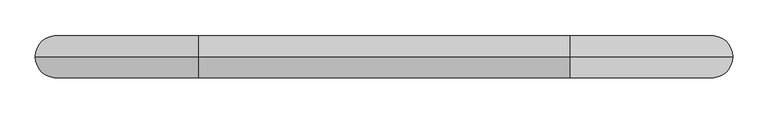
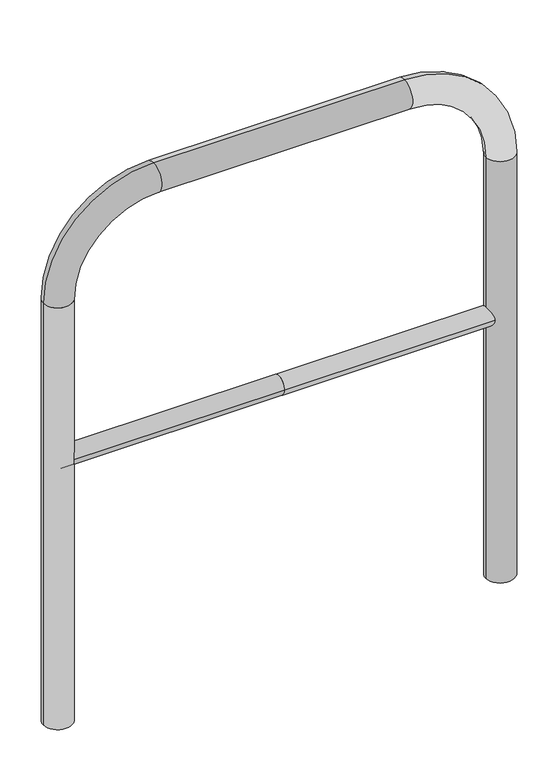
"""IFC4 building model written with IfcOpenShell, lengths in millimetres: proxy geometry."""

from ifc_helpers import new_model, si_unit, point, frame, frame_2d, origin, place, context, project, spatial, circle_curve, ellipse_curve, trimmed, segment, composite_curve, outline, extrude, source, transform, mapped, element, save
from ifc_brep_helpers import plane_surface, cylinder_surface, revolved_surface, advanced_brep


def generic_models_9fdfce8b(model_context):
    return source(origin(), model_context, "Body", "SolidModel", [
        extrude(outline(composite_curve([segment(trimmed(circle_curve(frame_2d((0.0, 498.4778375)), 20.0), [point((20.0, 498.4778375))], [point((-20.0, 498.4778375))], False, "CARTESIAN"), True, "CONTINUOUS"), segment(trimmed(circle_curve(frame_2d((0.0, 498.4778375)), 20.0), [point((-20.0, 498.4778375))], [point((20.0, 498.4778375))], False, "CARTESIAN"), True, "CONTINUOUS")], self_intersect=False)), frame((-461.8496422, 0.0, 0.0), z_axis=(1.0, 0.0, 0.0), x_axis=(0.0, 1.0, 0.0)), (0.0, 0.0, 1.0), 461.8496422),
        extrude(outline(composite_curve([segment(trimmed(circle_curve(frame_2d((0.0, 498.4778375)), 20.0), [point((20.0, 498.4778375))], [point((-20.0, 498.4778375))], False, "CARTESIAN"), True, "CONTINUOUS"), segment(trimmed(circle_curve(frame_2d((0.0, 498.4778375)), 20.0), [point((-20.0, 498.4778375))], [point((20.0, 498.4778375))], False, "CARTESIAN"), True, "CONTINUOUS")], self_intersect=False)), frame((0.0, 0.0, 0.0), z_axis=(1.0, 0.0, 0.0), x_axis=(0.0, 1.0, 0.0)), (0.0, 0.0, 1.0), 461.8496422),
        advanced_brep(
        [(-431.8496422, 0.0, -80.0), (-491.8496422, 0.0, -80.0), (-491.8496422, 0.0, 850.0), (-431.8496422, 0.0, 850.0), (-261.8496422, 0.0, 1080.0), (-261.8496422, 0.0, 1020.0), (261.8496422, 0.0, 1080.0), (261.8496422, 0.0, 1020.0), (491.8496422, 0.0, 850.0), (431.8496422, 0.0, 850.0), (431.8496422, 0.0, -80.0), (491.8496422, 0.0, -80.0)],
        [
            (0, 1, circle_curve(frame((-461.8496422, 0.0, -80.0), z_axis=(0.0, 0.0, -1.0), x_axis=(-1.0, 0.0, 0.0)), 30.0)),
            (1, 0, circle_curve(frame((-461.8496422, 0.0, -80.0), z_axis=(0.0, 0.0, -1.0), x_axis=(-1.0, 0.0, 0.0)), 30.0)),
            (1, 2),
            (2, 3, circle_curve(frame((-461.8496422, 0.0, 850.0), z_axis=(0.0, 0.0, -1.0), x_axis=(-1.0, 0.0, 0.0)), 30.0)),
            (3, 0),
            (3, 2, circle_curve(frame((-461.8496422, 0.0, 850.0), z_axis=(0.0, 0.0, -1.0), x_axis=(-1.0, 0.0, 0.0)), 30.0)),
            (4, 5, circle_curve(frame((-261.8496422, 0.0, 1050.0), z_axis=(-1.0, 0.0, 0.0), x_axis=(0.0, 0.0, 1.0)), 30.0)),
            (5, 3, circle_curve(frame((-261.8496422, 0.0, 850.0), z_axis=(0.0, -1.0, 0.0), x_axis=(-1.0, 0.0, 0.0)), 170.0)),
            (2, 4, circle_curve(frame((-261.8496422, 0.0, 850.0), z_axis=(0.0, 1.0, 0.0), x_axis=(-1.0, 0.0, 0.0)), 230.0)),
            (5, 4, circle_curve(frame((-261.8496422, 0.0, 1050.0), z_axis=(-1.0, 0.0, 0.0), x_axis=(0.0, 0.0, 1.0)), 30.0)),
            (4, 6),
            (6, 7, circle_curve(frame((261.8496422, 0.0, 1050.0), z_axis=(-1.0, 0.0, 0.0), x_axis=(0.0, 0.0, 1.0)), 30.0)),
            (7, 5),
            (7, 6, circle_curve(frame((261.8496422, 0.0, 1050.0), z_axis=(-1.0, 0.0, 0.0), x_axis=(0.0, 0.0, 1.0)), 30.0)),
            (8, 9, circle_curve(frame((461.8496422, 0.0, 850.0), z_axis=(0.0, 0.0, 1.0), x_axis=(1.0, 0.0, 0.0)), 30.0)),
            (9, 7, circle_curve(frame((261.8496422, 0.0, 850.0), z_axis=(0.0, -1.0, 0.0), x_axis=(0.0, 0.0, 1.0)), 170.0)),
            (6, 8, circle_curve(frame((261.8496422, 0.0, 850.0), z_axis=(0.0, 1.0, 0.0), x_axis=(0.0, 0.0, 1.0)), 230.0)),
            (9, 8, circle_curve(frame((461.8496422, 0.0, 850.0), z_axis=(0.0, 0.0, 1.0), x_axis=(1.0, 0.0, 0.0)), 30.0)),
            (10, 11, circle_curve(frame((461.8496422, 0.0, -80.0), z_axis=(0.0, 0.0, -1.0), x_axis=(1.0, 0.0, 0.0)), 30.0)),
            (11, 10, circle_curve(frame((461.8496422, 0.0, -80.0), z_axis=(0.0, 0.0, -1.0), x_axis=(1.0, 0.0, 0.0)), 30.0)),
            (8, 11),
            (10, 9),
        ],
        [
            plane_surface(frame((-461.8496422, 0.0, -80.0), z_axis=(0.0, 0.0, -1.0), x_axis=(0.0, 1.0, 0.0))),
            cylinder_surface(frame((-461.8496422, 0.0, -80.0), z_axis=(0.0, 0.0, -1.0), x_axis=(-1.0, 0.0, 0.0)), 30.0),
            revolved_surface(trimmed(ellipse_curve(frame((-461.8496422, 0.0, 850.0), z_axis=(0.0, 0.0, 1.0), x_axis=(-1.0, 0.0, 0.0)), 30.0, 30.0), [point((-431.8496422, 0.0, 850.0))], [point((-491.8496422, 0.0, 850.0))], True, "CARTESIAN"), (-261.8496422, 0.0, 850.0), (0.0, -1.0, 0.0)),
            revolved_surface(trimmed(ellipse_curve(frame((-461.8496422, 0.0, 850.0), z_axis=(0.0, 0.0, 1.0), x_axis=(-1.0, 0.0, 0.0)), 30.0, 30.0), [point((-491.8496422, 0.0, 850.0))], [point((-431.8496422, 0.0, 850.0))], True, "CARTESIAN"), (-261.8496422, 0.0, 850.0), (0.0, -1.0, 0.0)),
            cylinder_surface(frame((-261.8496422, 0.0, 1050.0), z_axis=(-1.0, 0.0, 0.0), x_axis=(0.0, 0.0, 1.0)), 30.0),
            revolved_surface(trimmed(ellipse_curve(frame((261.8496422, 0.0, 1050.0), z_axis=(1.0, 0.0, 0.0), x_axis=(0.0, 0.0, 1.0)), 30.0, 30.0), [point((261.8496422, 0.0, 1020.0))], [point((261.8496422, 0.0, 1080.0))], True, "CARTESIAN"), (261.8496422, 0.0, 850.0), (0.0, -1.0, 0.0)),
            revolved_surface(trimmed(ellipse_curve(frame((261.8496422, 0.0, 1050.0), z_axis=(1.0, 0.0, 0.0), x_axis=(0.0, 0.0, 1.0)), 30.0, 30.0), [point((261.8496422, 0.0, 1080.0))], [point((261.8496422, 0.0, 1020.0))], True, "CARTESIAN"), (261.8496422, 0.0, 850.0), (0.0, -1.0, 0.0)),
            plane_surface(frame((461.8496422, 0.0, -80.0), z_axis=(0.0, 0.0, -1.0), x_axis=(0.0, 1.0, 0.0))),
            cylinder_surface(frame((461.8496422, 0.0, 850.0), z_axis=(0.0, 0.0, 1.0), x_axis=(1.0, 0.0, 0.0)), 30.0),
        ],
        [
            (0, [[1, 2]]),
            (1, [[3, 4, 5, -2]]),
            (1, [[-5, 6, -3, -1]]),
            (2, [[7, 8, -4, 9]]),
            (3, [[10, -9, -6, -8]]),
            (4, [[11, 12, 13, -7]]),
            (4, [[-13, 14, -11, -10]]),
            (5, [[15, 16, -12, 17]]),
            (6, [[18, -17, -14, -16]]),
            (7, [[19, 20]]),
            (8, [[21, -19, 22, -15]]),
            (8, [[-22, -20, -21, -18]]),
        ],
    ),
    ])


if __name__ == "__main__":
    model = new_model("IFC4")
    model_context = context("Model", 3, world=origin())
    ifc_project = project(units=[si_unit("LENGTHUNIT", "METRE", prefix="MILLI")], contexts=[model_context])
    site = spatial("IfcSite", under=ifc_project)
    building = spatial("IfcBuilding", under=site)
    placement = place(None, origin())
    generic_models_shape = generic_models_9fdfce8b(model_context)
    element("IfcBuildingElementProxy", 1, Name="Generic Models", at=placement, inside=building, context=model_context, shape_type="MappedRepresentation", body=[
        mapped(generic_models_shape, transform((0.0, 0.0, 0.0), x_axis=(1.0, 0.0, 0.0), y_axis=(0.0, 1.0, 0.0), z_axis=(0.0, 0.0, 1.0))),
    ])
    save(model, "model.ifc")
